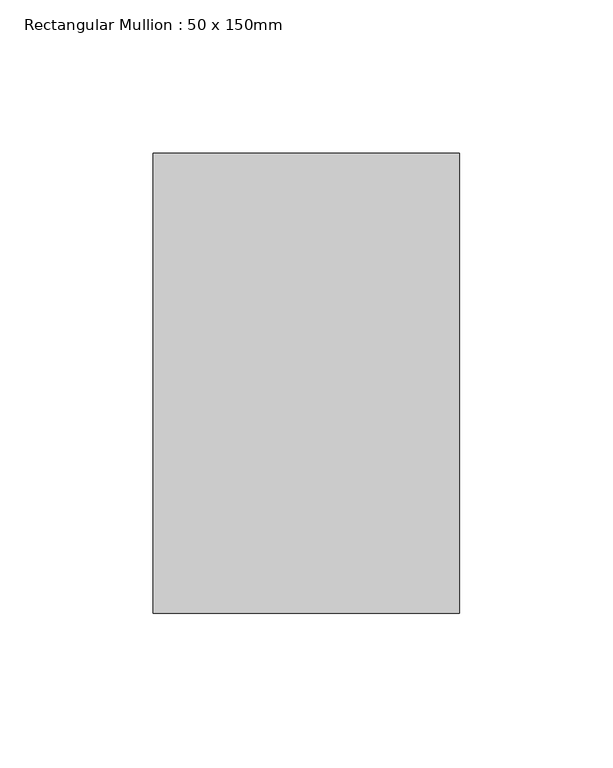
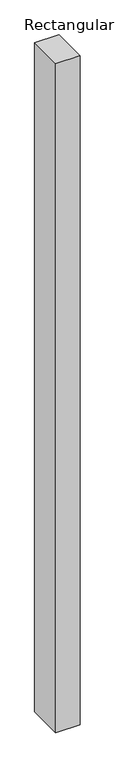
"""IFC4 building model written with IfcOpenShell, lengths in millimetres: member geometry, Rectangular Mullion : 50 x 150mm."""

import ifcopenshell
import ifcopenshell.guid

model = None  # the IFC model being written
_history = None  # IfcOwnerHistory: only IFC2X3 demands one
_inside = {}  # id of a spatial element -> (the spatial element, [elements in it])
_under = {}  # id of a project, library or spatial element -> (it, [spatial elements below it])
_declared = {}  # id of a project -> (the project, [libraries it declares])
_typed = {}  # id of a type object -> (the type object, [elements of that type])
_made_of = {}  # id of a material, layer set ... -> (it, [elements and type objects made of it])


def new_model(schema):
    """Start an empty IFC model of exactly this schema.

    Asked for "IFC4X3", IfcOpenShell would pick the latest addendum, in which some entities
    have other attributes; the version numbers below select the first issue.
    IFC2X3 requires an IfcOwnerHistory on every rooted entity: one is made here for all.
    """
    global model, _history
    if schema == "IFC4X3":
        model = ifcopenshell.file(schema_version=(4, 3, 0, 0))
    else:
        model = ifcopenshell.file(schema=schema)
    _inside.clear()
    _under.clear()
    _declared.clear()
    _typed.clear()
    _made_of.clear()
    _history = None
    if model.schema == "IFC2X3":
        org = make("IfcOrganization", Name="unknown")
        user = make(
            "IfcPersonAndOrganization",
            ThePerson=make("IfcPerson", FamilyName="unknown"),
            TheOrganization=org,
        )
        app = make(
            "IfcApplication",
            ApplicationDeveloper=org,
            Version="unknown",
            ApplicationFullName="unknown",
            ApplicationIdentifier="unknown",
        )
        _history = make(
            "IfcOwnerHistory",
            OwningUser=user,
            OwningApplication=app,
            ChangeAction="ADDED",
            CreationDate=0,
        )
    return model


def make(cls, **values):
    """One entity of the class cls with the attributes given. An attribute that is None is left unset."""
    return model.create_entity(
        cls, **{name: value for name, value in values.items() if value is not None}
    )


def rooted(cls, **values):
    """An entity with a GlobalId (a new one), such as an element, a storey or a relation."""
    return make(cls, GlobalId=ifcopenshell.guid.new(), OwnerHistory=_history, **values)


def si_unit(unit_type, name, prefix=None):
    """IfcSIUnit, for example si_unit("LENGTHUNIT", "METRE", prefix="MILLI")."""
    return make("IfcSIUnit", UnitType=unit_type, Prefix=prefix, Name=name)


def assignment(units):
    """IfcUnitAssignment: the units of a project."""
    return None if units is None else make("IfcUnitAssignment", Units=units)


def point(xyz):
    """IfcCartesianPoint."""
    return None if xyz is None else make("IfcCartesianPoint", Coordinates=xyz)


def direction(xyz):
    """IfcDirection."""
    return None if xyz is None else make("IfcDirection", DirectionRatios=xyz)


def frame(location, z_axis=None, x_axis=None):
    """IfcAxis2Placement3D, a coordinate frame: its origin and axes. An axis left out is left unset."""
    return make(
        "IfcAxis2Placement3D",
        Location=point(location),
        Axis=direction(z_axis),
        RefDirection=direction(x_axis),
    )


def origin():
    """The frame at (0, 0, 0) with its axes left unset."""
    return frame((0.0, 0.0, 0.0))


def place(relative_to, where):
    """IfcLocalPlacement: puts the frame where relative to a parent placement (None: the world)."""
    return make(
        "IfcLocalPlacement", PlacementRelTo=relative_to, RelativePlacement=where
    )


def context(
    kind, dimensions, precision=None, world=None, true_north=None, identifier=None
):
    """IfcGeometricRepresentationContext, for example the 3D "Model" context."""
    return make(
        "IfcGeometricRepresentationContext",
        ContextIdentifier=identifier,
        ContextType=kind,
        CoordinateSpaceDimension=dimensions,
        Precision=precision,
        WorldCoordinateSystem=world,
        TrueNorth=true_north,
    )


def project(units=None, contexts=None):
    """IfcProject with its units and contexts."""
    return rooted(
        "IfcProject",
        Name="project",
        RepresentationContexts=contexts,
        UnitsInContext=assignment(units),
    )


def spatial(cls, under=None, at=None, **own):
    """A site, building, storey or space (cls), placed at a placement, below another one or the project."""
    s = rooted(cls, ObjectPlacement=at, **own)
    if under is not None:
        _under.setdefault(under.id(), (under, []))[1].append(s)
    return s


def polyline(points):
    """IfcPolyline through the points."""
    return make("IfcPolyline", Points=[point(p) for p in points])


def outline(outer, holes=None, kind="AREA"):
    """IfcArbitraryClosedProfileDef: a profile drawn as a closed curve; with holes, ...WithVoids."""
    if holes is None:
        return make("IfcArbitraryClosedProfileDef", ProfileType=kind, OuterCurve=outer)
    return make(
        "IfcArbitraryProfileDefWithVoids",
        ProfileType=kind,
        OuterCurve=outer,
        InnerCurves=holes,
    )


def extrude(swept, where, along, depth):
    """IfcExtrudedAreaSolid: the profile swept, set in the frame where, extruded along a direction by depth."""
    return make(
        "IfcExtrudedAreaSolid",
        SweptArea=swept,
        Position=where,
        ExtrudedDirection=direction(along),
        Depth=depth,
    )


def shape(context_of_items, identifier, shape_type, items):
    """IfcShapeRepresentation: the items that make up one representation, for example the "Body"."""
    return make(
        "IfcShapeRepresentation",
        ContextOfItems=context_of_items,
        RepresentationIdentifier=identifier,
        RepresentationType=shape_type,
        Items=items,
    )


def source(mapping_origin, context_of_items, identifier, shape_type, items):
    """IfcRepresentationMap: a shape defined once, which mapped items show again and again."""
    return make(
        "IfcRepresentationMap",
        MappingOrigin=mapping_origin,
        MappedRepresentation=shape(context_of_items, identifier, shape_type, items),
    )


def transform(
    local_origin,
    x_axis=None,
    y_axis=None,
    z_axis=None,
    scale=None,
    scale2=None,
    scale3=None,
    uniform=True,
):
    """IfcCartesianTransformationOperator3D, or its non-uniform kind. x_axis, y_axis, z_axis: its Axis1, 2, 3."""
    if uniform:
        return make(
            "IfcCartesianTransformationOperator3D",
            Axis1=direction(x_axis),
            Axis2=direction(y_axis),
            LocalOrigin=point(local_origin),
            Scale=scale,
            Axis3=direction(z_axis),
        )
    return make(
        "IfcCartesianTransformationOperator3DnonUniform",
        Axis1=direction(x_axis),
        Axis2=direction(y_axis),
        LocalOrigin=point(local_origin),
        Scale=scale,
        Axis3=direction(z_axis),
        Scale2=scale2,
        Scale3=scale3,
    )


def mapped(mapping_source, mapping_target):
    """IfcMappedItem: shows the shape of a source again, moved by a transform."""
    return make(
        "IfcMappedItem", MappingSource=mapping_source, MappingTarget=mapping_target
    )


def made_of(thing, what):
    """Note that an element or type object is made of a material, layer set ...; save() writes the relation."""
    if what is not None:
        _made_of.setdefault(what.id(), (what, []))[1].append(thing)
    return thing


def element(
    cls,
    number,
    at=None,
    inside=None,
    cuts=None,
    type_object=None,
    material=None,
    context=None,
    identifier="Body",
    shape_type=None,
    held_by="IfcProductDefinitionShape",
    body=None,
    shapes=None,
    **own,
):
    """One element of the class cls, such as IfcWall. Its Tag is "e" and its number.

    at: its placement. inside: the storey or other place that contains it. cuts: it is an
    opening in that element (IfcRelVoidsElement). A single representation is given by context,
    identifier, shape_type and body (its items); several are given by shapes. held_by: the class
    of the entity that holds the representations. save() writes the other relations.
    """
    e = rooted(cls, Tag="e%d" % number, ObjectPlacement=at, **own)
    if body is not None:
        shapes = [shape(context, identifier, shape_type, body)]
    if shapes is not None:
        e.Representation = make(held_by, Representations=shapes)
    if inside is not None:
        _inside.setdefault(inside.id(), (inside, []))[1].append(e)
    if cuts is not None:
        rooted(
            "IfcRelVoidsElement", RelatingBuildingElement=cuts, RelatedOpeningElement=e
        )
    if type_object is not None:
        _typed.setdefault(type_object.id(), (type_object, []))[1].append(e)
    return made_of(e, material)


def aggregate(whole, parts):
    """IfcRelAggregates: a whole, such as a stair, and the parts it consists of."""
    return rooted("IfcRelAggregates", RelatingObject=whole, RelatedObjects=parts)


def save(model, path):
    """Write the relations noted so far, then the file.

    IfcRelAggregates (storeys below a building ...), IfcRelContainedInSpatialStructure (elements
    in a storey), IfcRelDefinesByType, IfcRelAssociatesMaterial and IfcRelDeclares: one each for
    every whole, place, type object, material and project.
    """
    for whole, parts in _under.values():
        aggregate(whole, parts)
    for where, things in _inside.values():
        rooted(
            "IfcRelContainedInSpatialStructure",
            RelatedElements=things,
            RelatingStructure=where,
        )
    for kind, things in _typed.values():
        rooted("IfcRelDefinesByType", RelatedObjects=things, RelatingType=kind)
    for what, things in _made_of.values():
        rooted("IfcRelAssociatesMaterial", RelatedObjects=things, RelatingMaterial=what)
    for by, libraries in _declared.values():
        rooted("IfcRelDeclares", RelatingContext=by, RelatedDefinitions=libraries)
    model.write(path)


def rectangular_mullion_50_x_150mm_61abeedf(model_context):
    return source(origin(), model_context, "Body", "SweptSolid", [
        extrude(outline(polyline([(50.0, 75.0), (50.0, -75.0), (-50.0, -75.0), (-50.0, 75.0), (50.0, 75.0)])), frame((0.0, 0.0, -2910.6118058), z_axis=(0.0, 0.0, 1.0), x_axis=(1.0, 0.0, 0.0)), (0.0, 0.0, 1.0), 2910.6118058),
    ])


if __name__ == "__main__":
    model = new_model("IFC4")
    model_context = context("Model", 3, world=origin())
    ifc_project = project(units=[si_unit("LENGTHUNIT", "METRE", prefix="MILLI")], contexts=[model_context])
    site = spatial("IfcSite", under=ifc_project)
    building = spatial("IfcBuilding", under=site)
    placement = place(None, origin())
    rectangular_mullion_50_x_150mm_shape = rectangular_mullion_50_x_150mm_61abeedf(model_context)
    element("IfcMember", 1, ObjectType="Rectangular Mullion : 50 x 150mm", at=placement, inside=building, context=model_context, shape_type="MappedRepresentation", body=[
        mapped(rectangular_mullion_50_x_150mm_shape, transform((0.0, 0.0, 0.0), x_axis=(1.0, 0.0, 0.0), y_axis=(0.0, 1.0, 0.0), z_axis=(0.0, 0.0, 1.0))),
    ])
    save(model, "model.ifc")
